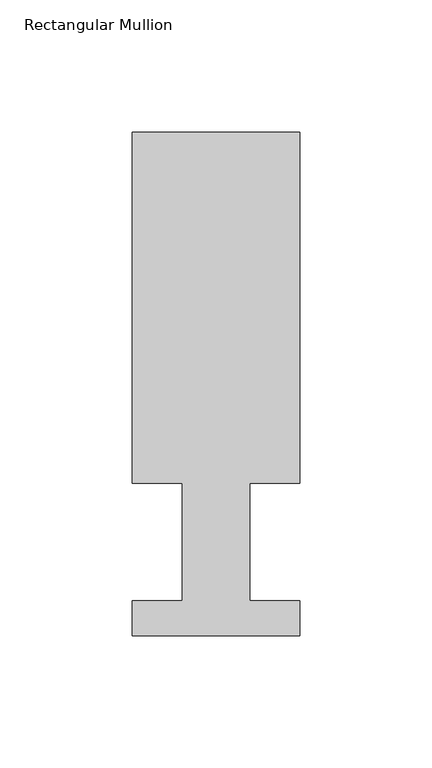
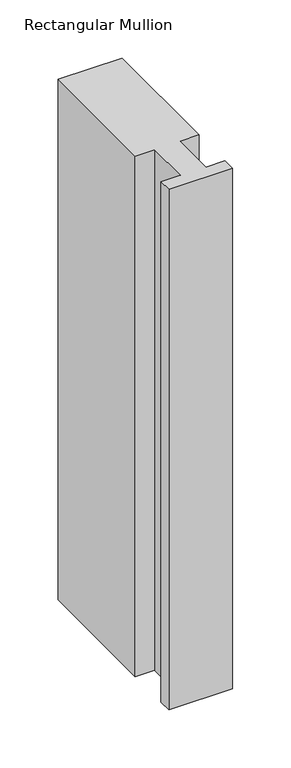
"""IFC4 building model written with IfcOpenShell, lengths in millimetres: member geometry, Rectangular Mullion."""

import ifcopenshell
import ifcopenshell.guid

model = None  # the IFC model being written
_history = None  # IfcOwnerHistory: only IFC2X3 demands one
_inside = {}  # id of a spatial element -> (the spatial element, [elements in it])
_under = {}  # id of a project, library or spatial element -> (it, [spatial elements below it])
_declared = {}  # id of a project -> (the project, [libraries it declares])
_typed = {}  # id of a type object -> (the type object, [elements of that type])
_made_of = {}  # id of a material, layer set ... -> (it, [elements and type objects made of it])


def new_model(schema):
    """Start an empty IFC model of exactly this schema.

    Asked for "IFC4X3", IfcOpenShell would pick the latest addendum, in which some entities
    have other attributes; the version numbers below select the first issue.
    IFC2X3 requires an IfcOwnerHistory on every rooted entity: one is made here for all.
    """
    global model, _history
    if schema == "IFC4X3":
        model = ifcopenshell.file(schema_version=(4, 3, 0, 0))
    else:
        model = ifcopenshell.file(schema=schema)
    _inside.clear()
    _under.clear()
    _declared.clear()
    _typed.clear()
    _made_of.clear()
    _history = None
    if model.schema == "IFC2X3":
        org = make("IfcOrganization", Name="unknown")
        user = make(
            "IfcPersonAndOrganization",
            ThePerson=make("IfcPerson", FamilyName="unknown"),
            TheOrganization=org,
        )
        app = make(
            "IfcApplication",
            ApplicationDeveloper=org,
            Version="unknown",
            ApplicationFullName="unknown",
            ApplicationIdentifier="unknown",
        )
        _history = make(
            "IfcOwnerHistory",
            OwningUser=user,
            OwningApplication=app,
            ChangeAction="ADDED",
            CreationDate=0,
        )
    return model


def make(cls, **values):
    """One entity of the class cls with the attributes given. An attribute that is None is left unset."""
    return model.create_entity(
        cls, **{name: value for name, value in values.items() if value is not None}
    )


def rooted(cls, **values):
    """An entity with a GlobalId (a new one), such as an element, a storey or a relation."""
    return make(cls, GlobalId=ifcopenshell.guid.new(), OwnerHistory=_history, **values)


def si_unit(unit_type, name, prefix=None):
    """IfcSIUnit, for example si_unit("LENGTHUNIT", "METRE", prefix="MILLI")."""
    return make("IfcSIUnit", UnitType=unit_type, Prefix=prefix, Name=name)


def assignment(units):
    """IfcUnitAssignment: the units of a project."""
    return None if units is None else make("IfcUnitAssignment", Units=units)


def point(xyz):
    """IfcCartesianPoint."""
    return None if xyz is None else make("IfcCartesianPoint", Coordinates=xyz)


def direction(xyz):
    """IfcDirection."""
    return None if xyz is None else make("IfcDirection", DirectionRatios=xyz)


def frame(location, z_axis=None, x_axis=None):
    """IfcAxis2Placement3D, a coordinate frame: its origin and axes. An axis left out is left unset."""
    return make(
        "IfcAxis2Placement3D",
        Location=point(location),
        Axis=direction(z_axis),
        RefDirection=direction(x_axis),
    )


def origin():
    """The frame at (0, 0, 0) with its axes left unset."""
    return frame((0.0, 0.0, 0.0))


def place(relative_to, where):
    """IfcLocalPlacement: puts the frame where relative to a parent placement (None: the world)."""
    return make(
        "IfcLocalPlacement", PlacementRelTo=relative_to, RelativePlacement=where
    )


def context(
    kind, dimensions, precision=None, world=None, true_north=None, identifier=None
):
    """IfcGeometricRepresentationContext, for example the 3D "Model" context."""
    return make(
        "IfcGeometricRepresentationContext",
        ContextIdentifier=identifier,
        ContextType=kind,
        CoordinateSpaceDimension=dimensions,
        Precision=precision,
        WorldCoordinateSystem=world,
        TrueNorth=true_north,
    )


def project(units=None, contexts=None):
    """IfcProject with its units and contexts."""
    return rooted(
        "IfcProject",
        Name="project",
        RepresentationContexts=contexts,
        UnitsInContext=assignment(units),
    )


def spatial(cls, under=None, at=None, **own):
    """A site, building, storey or space (cls), placed at a placement, below another one or the project."""
    s = rooted(cls, ObjectPlacement=at, **own)
    if under is not None:
        _under.setdefault(under.id(), (under, []))[1].append(s)
    return s


def polyline(points):
    """IfcPolyline through the points."""
    return make("IfcPolyline", Points=[point(p) for p in points])


def outline(outer, holes=None, kind="AREA"):
    """IfcArbitraryClosedProfileDef: a profile drawn as a closed curve; with holes, ...WithVoids."""
    if holes is None:
        return make("IfcArbitraryClosedProfileDef", ProfileType=kind, OuterCurve=outer)
    return make(
        "IfcArbitraryProfileDefWithVoids",
        ProfileType=kind,
        OuterCurve=outer,
        InnerCurves=holes,
    )


def extrude(swept, where, along, depth):
    """IfcExtrudedAreaSolid: the profile swept, set in the frame where, extruded along a direction by depth."""
    return make(
        "IfcExtrudedAreaSolid",
        SweptArea=swept,
        Position=where,
        ExtrudedDirection=direction(along),
        Depth=depth,
    )


def shape(context_of_items, identifier, shape_type, items):
    """IfcShapeRepresentation: the items that make up one representation, for example the "Body"."""
    return make(
        "IfcShapeRepresentation",
        ContextOfItems=context_of_items,
        RepresentationIdentifier=identifier,
        RepresentationType=shape_type,
        Items=items,
    )


def source(mapping_origin, context_of_items, identifier, shape_type, items):
    """IfcRepresentationMap: a shape defined once, which mapped items show again and again."""
    return make(
        "IfcRepresentationMap",
        MappingOrigin=mapping_origin,
        MappedRepresentation=shape(context_of_items, identifier, shape_type, items),
    )


def transform(
    local_origin,
    x_axis=None,
    y_axis=None,
    z_axis=None,
    scale=None,
    scale2=None,
    scale3=None,
    uniform=True,
):
    """IfcCartesianTransformationOperator3D, or its non-uniform kind. x_axis, y_axis, z_axis: its Axis1, 2, 3."""
    if uniform:
        return make(
            "IfcCartesianTransformationOperator3D",
            Axis1=direction(x_axis),
            Axis2=direction(y_axis),
            LocalOrigin=point(local_origin),
            Scale=scale,
            Axis3=direction(z_axis),
        )
    return make(
        "IfcCartesianTransformationOperator3DnonUniform",
        Axis1=direction(x_axis),
        Axis2=direction(y_axis),
        LocalOrigin=point(local_origin),
        Scale=scale,
        Axis3=direction(z_axis),
        Scale2=scale2,
        Scale3=scale3,
    )


def mapped(mapping_source, mapping_target):
    """IfcMappedItem: shows the shape of a source again, moved by a transform."""
    return make(
        "IfcMappedItem", MappingSource=mapping_source, MappingTarget=mapping_target
    )


def made_of(thing, what):
    """Note that an element or type object is made of a material, layer set ...; save() writes the relation."""
    if what is not None:
        _made_of.setdefault(what.id(), (what, []))[1].append(thing)
    return thing


def element(
    cls,
    number,
    at=None,
    inside=None,
    cuts=None,
    type_object=None,
    material=None,
    context=None,
    identifier="Body",
    shape_type=None,
    held_by="IfcProductDefinitionShape",
    body=None,
    shapes=None,
    **own,
):
    """One element of the class cls, such as IfcWall. Its Tag is "e" and its number.

    at: its placement. inside: the storey or other place that contains it. cuts: it is an
    opening in that element (IfcRelVoidsElement). A single representation is given by context,
    identifier, shape_type and body (its items); several are given by shapes. held_by: the class
    of the entity that holds the representations. save() writes the other relations.
    """
    e = rooted(cls, Tag="e%d" % number, ObjectPlacement=at, **own)
    if body is not None:
        shapes = [shape(context, identifier, shape_type, body)]
    if shapes is not None:
        e.Representation = make(held_by, Representations=shapes)
    if inside is not None:
        _inside.setdefault(inside.id(), (inside, []))[1].append(e)
    if cuts is not None:
        rooted(
            "IfcRelVoidsElement", RelatingBuildingElement=cuts, RelatedOpeningElement=e
        )
    if type_object is not None:
        _typed.setdefault(type_object.id(), (type_object, []))[1].append(e)
    return made_of(e, material)


def aggregate(whole, parts):
    """IfcRelAggregates: a whole, such as a stair, and the parts it consists of."""
    return rooted("IfcRelAggregates", RelatingObject=whole, RelatedObjects=parts)


def save(model, path):
    """Write the relations noted so far, then the file.

    IfcRelAggregates (storeys below a building ...), IfcRelContainedInSpatialStructure (elements
    in a storey), IfcRelDefinesByType, IfcRelAssociatesMaterial and IfcRelDeclares: one each for
    every whole, place, type object, material and project.
    """
    for whole, parts in _under.values():
        aggregate(whole, parts)
    for where, things in _inside.values():
        rooted(
            "IfcRelContainedInSpatialStructure",
            RelatedElements=things,
            RelatingStructure=where,
        )
    for kind, things in _typed.values():
        rooted("IfcRelDefinesByType", RelatedObjects=things, RelatingType=kind)
    for what, things in _made_of.values():
        rooted("IfcRelAssociatesMaterial", RelatedObjects=things, RelatingMaterial=what)
    for by, libraries in _declared.values():
        rooted("IfcRelDeclares", RelatingContext=by, RelatedDefinitions=libraries)
    model.write(path)


def rectangular_mullion_e20b30d6(model_context):
    return source(origin(), model_context, "Body", "SweptSolid", [
        extrude(outline(polyline([(-63.5, 190.5896938), (0.0, 190.5896938), (0.0, 57.6460937), (-19.0373, 57.6460937), (-19.0373, 13.1960938), (0.0, 13.1960938), (0.0, 0.0134938), (-63.5, 0.0134938), (-63.5, 13.1960938), (-44.45, 13.1960938), (-44.45, 57.6460937), (-63.5, 57.6460937), (-63.5, 190.5896938)])), frame((0.0, 0.0, -546.1), z_axis=(0.0, 0.0, 1.0), x_axis=(1.0, 0.0, 0.0)), (0.0, 0.0, 1.0), 546.1),
    ])


if __name__ == "__main__":
    model = new_model("IFC4")
    model_context = context("Model", 3, world=origin())
    ifc_project = project(units=[si_unit("LENGTHUNIT", "METRE", prefix="MILLI")], contexts=[model_context])
    site = spatial("IfcSite", under=ifc_project)
    building = spatial("IfcBuilding", under=site)
    placement = place(None, origin())
    rectangular_mullion_shape = rectangular_mullion_e20b30d6(model_context)
    element("IfcMember", 1, ObjectType="Rectangular Mullion", at=placement, inside=building, context=model_context, shape_type="MappedRepresentation", body=[
        mapped(rectangular_mullion_shape, transform((0.0, 0.0, 0.0), x_axis=(1.0, 0.0, 0.0), y_axis=(0.0, 1.0, 0.0), z_axis=(0.0, 0.0, 1.0))),
    ])
    save(model, "model.ifc")
